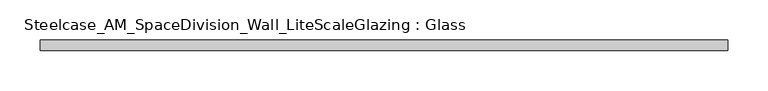
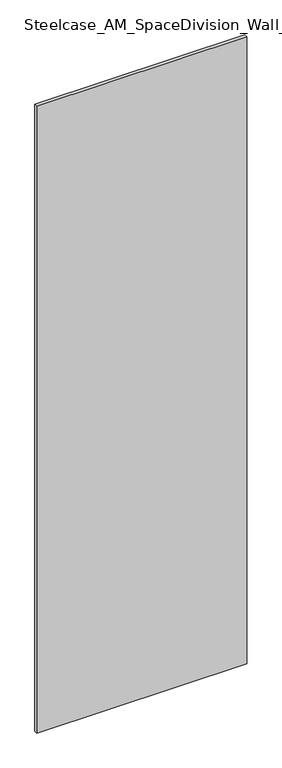
"""IFC4 building model written with IfcOpenShell, lengths in millimetres: plate geometry, Steelcase_AM_SpaceDivision_Wall_LiteScaleGlazing : Glass."""

from ifc_helpers import new_model, si_unit, origin, origin_with_axes, place, context, project, spatial, polyline, outline, extrude, source, transform, mapped, element, save


def steelcase_am_spacedivision_wall_litescaleglazing_glass_d96a8f3f(model_context):
    return source(origin(), model_context, "Body", "SweptSolid", [
        extrude(outline(polyline([(-426.593, -6.349956), (-426.593, 6.3502015), (426.593, 6.3502015), (426.593, -6.349956), (-426.593, -6.349956)])), origin_with_axes(), (0.0, 0.0, 1.0), 2693.924),
    ])


if __name__ == "__main__":
    model = new_model("IFC4")
    model_context = context("Model", 3, world=origin())
    ifc_project = project(units=[si_unit("LENGTHUNIT", "METRE", prefix="MILLI")], contexts=[model_context])
    site = spatial("IfcSite", under=ifc_project)
    building = spatial("IfcBuilding", under=site)
    placement = place(None, origin())
    steelcase_am_spacedivision_wall_litescaleglazing_glass_shape = steelcase_am_spacedivision_wall_litescaleglazing_glass_d96a8f3f(model_context)
    element("IfcPlate", 1, ObjectType="Steelcase_AM_SpaceDivision_Wall_LiteScaleGlazing : Glass", at=placement, inside=building, context=model_context, shape_type="MappedRepresentation", body=[
        mapped(steelcase_am_spacedivision_wall_litescaleglazing_glass_shape, transform((0.0, 0.0, 0.0), x_axis=(1.0, 0.0, 0.0), y_axis=(0.0, 1.0, 0.0), z_axis=(0.0, 0.0, 1.0))),
    ])
    save(model, "model.ifc")
